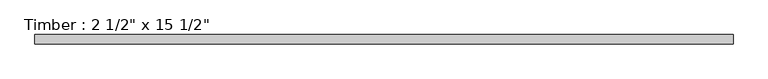
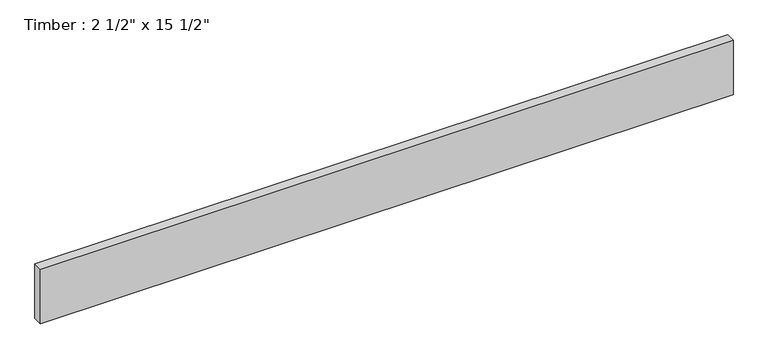
"""IFC4 building model written with IfcOpenShell, lengths in millimetres: beam geometry."""

import ifcopenshell
import ifcopenshell.guid

model = None  # the IFC model being written
_history = None  # IfcOwnerHistory: only IFC2X3 demands one
_inside = {}  # id of a spatial element -> (the spatial element, [elements in it])
_under = {}  # id of a project, library or spatial element -> (it, [spatial elements below it])
_declared = {}  # id of a project -> (the project, [libraries it declares])
_typed = {}  # id of a type object -> (the type object, [elements of that type])
_made_of = {}  # id of a material, layer set ... -> (it, [elements and type objects made of it])


def new_model(schema):
    """Start an empty IFC model of exactly this schema.

    Asked for "IFC4X3", IfcOpenShell would pick the latest addendum, in which some entities
    have other attributes; the version numbers below select the first issue.
    IFC2X3 requires an IfcOwnerHistory on every rooted entity: one is made here for all.
    """
    global model, _history
    if schema == "IFC4X3":
        model = ifcopenshell.file(schema_version=(4, 3, 0, 0))
    else:
        model = ifcopenshell.file(schema=schema)
    _inside.clear()
    _under.clear()
    _declared.clear()
    _typed.clear()
    _made_of.clear()
    _history = None
    if model.schema == "IFC2X3":
        org = make("IfcOrganization", Name="unknown")
        user = make(
            "IfcPersonAndOrganization",
            ThePerson=make("IfcPerson", FamilyName="unknown"),
            TheOrganization=org,
        )
        app = make(
            "IfcApplication",
            ApplicationDeveloper=org,
            Version="unknown",
            ApplicationFullName="unknown",
            ApplicationIdentifier="unknown",
        )
        _history = make(
            "IfcOwnerHistory",
            OwningUser=user,
            OwningApplication=app,
            ChangeAction="ADDED",
            CreationDate=0,
        )
    return model


def make(cls, **values):
    """One entity of the class cls with the attributes given. An attribute that is None is left unset."""
    return model.create_entity(
        cls, **{name: value for name, value in values.items() if value is not None}
    )


def rooted(cls, **values):
    """An entity with a GlobalId (a new one), such as an element, a storey or a relation."""
    return make(cls, GlobalId=ifcopenshell.guid.new(), OwnerHistory=_history, **values)


def si_unit(unit_type, name, prefix=None):
    """IfcSIUnit, for example si_unit("LENGTHUNIT", "METRE", prefix="MILLI")."""
    return make("IfcSIUnit", UnitType=unit_type, Prefix=prefix, Name=name)


def assignment(units):
    """IfcUnitAssignment: the units of a project."""
    return None if units is None else make("IfcUnitAssignment", Units=units)


def point(xyz):
    """IfcCartesianPoint."""
    return None if xyz is None else make("IfcCartesianPoint", Coordinates=xyz)


def direction(xyz):
    """IfcDirection."""
    return None if xyz is None else make("IfcDirection", DirectionRatios=xyz)


def frame(location, z_axis=None, x_axis=None):
    """IfcAxis2Placement3D, a coordinate frame: its origin and axes. An axis left out is left unset."""
    return make(
        "IfcAxis2Placement3D",
        Location=point(location),
        Axis=direction(z_axis),
        RefDirection=direction(x_axis),
    )


def origin():
    """The frame at (0, 0, 0) with its axes left unset."""
    return frame((0.0, 0.0, 0.0))


def place(relative_to, where):
    """IfcLocalPlacement: puts the frame where relative to a parent placement (None: the world)."""
    return make(
        "IfcLocalPlacement", PlacementRelTo=relative_to, RelativePlacement=where
    )


def context(
    kind, dimensions, precision=None, world=None, true_north=None, identifier=None
):
    """IfcGeometricRepresentationContext, for example the 3D "Model" context."""
    return make(
        "IfcGeometricRepresentationContext",
        ContextIdentifier=identifier,
        ContextType=kind,
        CoordinateSpaceDimension=dimensions,
        Precision=precision,
        WorldCoordinateSystem=world,
        TrueNorth=true_north,
    )


def project(units=None, contexts=None):
    """IfcProject with its units and contexts."""
    return rooted(
        "IfcProject",
        Name="project",
        RepresentationContexts=contexts,
        UnitsInContext=assignment(units),
    )


def spatial(cls, under=None, at=None, **own):
    """A site, building, storey or space (cls), placed at a placement, below another one or the project."""
    s = rooted(cls, ObjectPlacement=at, **own)
    if under is not None:
        _under.setdefault(under.id(), (under, []))[1].append(s)
    return s


def polyline(points):
    """IfcPolyline through the points."""
    return make("IfcPolyline", Points=[point(p) for p in points])


def outline(outer, holes=None, kind="AREA"):
    """IfcArbitraryClosedProfileDef: a profile drawn as a closed curve; with holes, ...WithVoids."""
    if holes is None:
        return make("IfcArbitraryClosedProfileDef", ProfileType=kind, OuterCurve=outer)
    return make(
        "IfcArbitraryProfileDefWithVoids",
        ProfileType=kind,
        OuterCurve=outer,
        InnerCurves=holes,
    )


def extrude(swept, where, along, depth):
    """IfcExtrudedAreaSolid: the profile swept, set in the frame where, extruded along a direction by depth."""
    return make(
        "IfcExtrudedAreaSolid",
        SweptArea=swept,
        Position=where,
        ExtrudedDirection=direction(along),
        Depth=depth,
    )


def shape(context_of_items, identifier, shape_type, items):
    """IfcShapeRepresentation: the items that make up one representation, for example the "Body"."""
    return make(
        "IfcShapeRepresentation",
        ContextOfItems=context_of_items,
        RepresentationIdentifier=identifier,
        RepresentationType=shape_type,
        Items=items,
    )


def source(mapping_origin, context_of_items, identifier, shape_type, items):
    """IfcRepresentationMap: a shape defined once, which mapped items show again and again."""
    return make(
        "IfcRepresentationMap",
        MappingOrigin=mapping_origin,
        MappedRepresentation=shape(context_of_items, identifier, shape_type, items),
    )


def transform(
    local_origin,
    x_axis=None,
    y_axis=None,
    z_axis=None,
    scale=None,
    scale2=None,
    scale3=None,
    uniform=True,
):
    """IfcCartesianTransformationOperator3D, or its non-uniform kind. x_axis, y_axis, z_axis: its Axis1, 2, 3."""
    if uniform:
        return make(
            "IfcCartesianTransformationOperator3D",
            Axis1=direction(x_axis),
            Axis2=direction(y_axis),
            LocalOrigin=point(local_origin),
            Scale=scale,
            Axis3=direction(z_axis),
        )
    return make(
        "IfcCartesianTransformationOperator3DnonUniform",
        Axis1=direction(x_axis),
        Axis2=direction(y_axis),
        LocalOrigin=point(local_origin),
        Scale=scale,
        Axis3=direction(z_axis),
        Scale2=scale2,
        Scale3=scale3,
    )


def mapped(mapping_source, mapping_target):
    """IfcMappedItem: shows the shape of a source again, moved by a transform."""
    return make(
        "IfcMappedItem", MappingSource=mapping_source, MappingTarget=mapping_target
    )


def made_of(thing, what):
    """Note that an element or type object is made of a material, layer set ...; save() writes the relation."""
    if what is not None:
        _made_of.setdefault(what.id(), (what, []))[1].append(thing)
    return thing


def element(
    cls,
    number,
    at=None,
    inside=None,
    cuts=None,
    type_object=None,
    material=None,
    context=None,
    identifier="Body",
    shape_type=None,
    held_by="IfcProductDefinitionShape",
    body=None,
    shapes=None,
    **own,
):
    """One element of the class cls, such as IfcWall. Its Tag is "e" and its number.

    at: its placement. inside: the storey or other place that contains it. cuts: it is an
    opening in that element (IfcRelVoidsElement). A single representation is given by context,
    identifier, shape_type and body (its items); several are given by shapes. held_by: the class
    of the entity that holds the representations. save() writes the other relations.
    """
    e = rooted(cls, Tag="e%d" % number, ObjectPlacement=at, **own)
    if body is not None:
        shapes = [shape(context, identifier, shape_type, body)]
    if shapes is not None:
        e.Representation = make(held_by, Representations=shapes)
    if inside is not None:
        _inside.setdefault(inside.id(), (inside, []))[1].append(e)
    if cuts is not None:
        rooted(
            "IfcRelVoidsElement", RelatingBuildingElement=cuts, RelatedOpeningElement=e
        )
    if type_object is not None:
        _typed.setdefault(type_object.id(), (type_object, []))[1].append(e)
    return made_of(e, material)


def aggregate(whole, parts):
    """IfcRelAggregates: a whole, such as a stair, and the parts it consists of."""
    return rooted("IfcRelAggregates", RelatingObject=whole, RelatedObjects=parts)


def save(model, path):
    """Write the relations noted so far, then the file.

    IfcRelAggregates (storeys below a building ...), IfcRelContainedInSpatialStructure (elements
    in a storey), IfcRelDefinesByType, IfcRelAssociatesMaterial and IfcRelDeclares: one each for
    every whole, place, type object, material and project.
    """
    for whole, parts in _under.values():
        aggregate(whole, parts)
    for where, things in _inside.values():
        rooted(
            "IfcRelContainedInSpatialStructure",
            RelatedElements=things,
            RelatingStructure=where,
        )
    for kind, things in _typed.values():
        rooted("IfcRelDefinesByType", RelatedObjects=things, RelatingType=kind)
    for what, things in _made_of.values():
        rooted("IfcRelAssociatesMaterial", RelatedObjects=things, RelatingMaterial=what)
    for by, libraries in _declared.values():
        rooted("IfcRelDeclares", RelatingContext=by, RelatedDefinitions=libraries)
    model.write(path)


def beam_f3f00c07(model_context):
    return source(origin(), model_context, "Body", "SweptSolid", [
        extrude(outline(polyline([(2361.8380821, 31.75), (2361.8380821, -31.75), (-2361.8380821, -31.75), (-2361.8380821, 31.75), (2361.8380821, 31.75)])), frame((0.0, 0.0, -196.85), z_axis=(0.0, 0.0, 1.0), x_axis=(1.0, 0.0, 0.0)), (0.0, 0.0, 1.0), 393.7),
    ])


if __name__ == "__main__":
    model = new_model("IFC4")
    model_context = context("Model", 3, world=origin())
    ifc_project = project(units=[si_unit("LENGTHUNIT", "METRE", prefix="MILLI")], contexts=[model_context])
    site = spatial("IfcSite", under=ifc_project)
    building = spatial("IfcBuilding", under=site)
    placement = place(None, origin())
    beam_shape = beam_f3f00c07(model_context)
    element("IfcBeam", 1, ObjectType="Timber : 2 1/2\" x 15 1/2\"", at=placement, inside=building, context=model_context, shape_type="MappedRepresentation", body=[
        mapped(beam_shape, transform((0.0, 0.0, 0.0), x_axis=(1.0, 0.0, 0.0), y_axis=(0.0, 1.0, 0.0), z_axis=(0.0, 0.0, 1.0))),
    ])
    save(model, "model.ifc")
